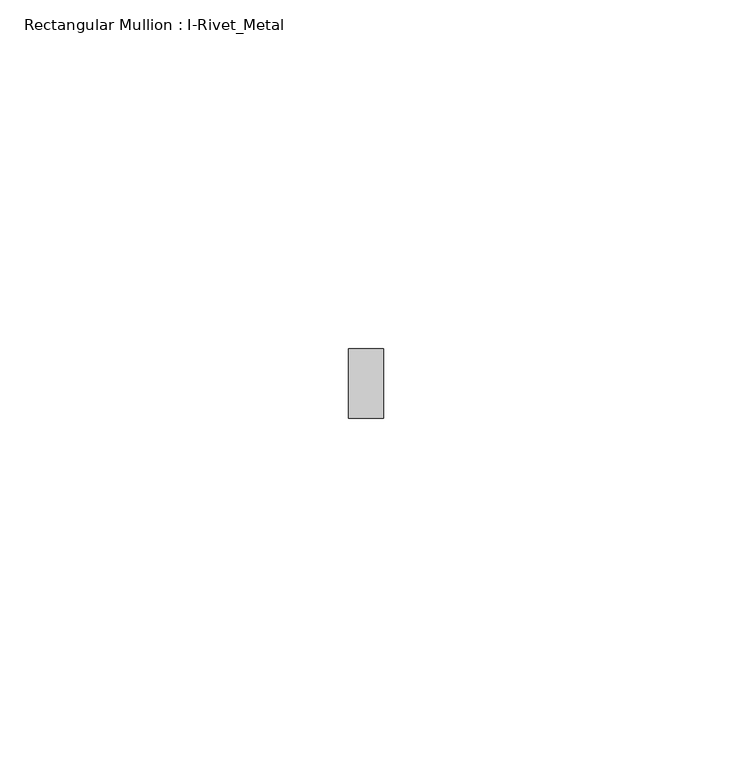
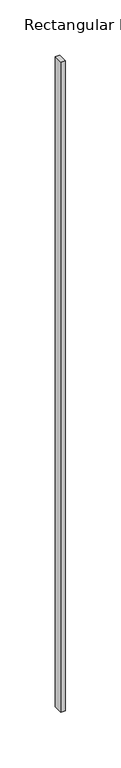
"""IFC4 building model written with IfcOpenShell, lengths in millimetres: member geometry, Rectangular Mullion : I-Rivet_Metal."""

from ifc_helpers import new_model, si_unit, frame, origin, place, context, project, spatial, polyline, outline, extrude, source, transform, mapped, element, save


def rectangular_mullion_i_rivet_metal_599271b9(model_context):
    return source(origin(), model_context, "Body", "SweptSolid", [
        extrude(outline(polyline([(2.5, 70.0), (-2.5, 70.0), (-2.5, 80.0), (2.5, 80.0), (2.5, 70.0)])), frame((0.0, 0.0, -720.0), z_axis=(0.0, 0.0, 1.0), x_axis=(1.0, 0.0, 0.0)), (0.0, 0.0, 1.0), 720.0),
    ])


if __name__ == "__main__":
    model = new_model("IFC4")
    model_context = context("Model", 3, world=origin())
    ifc_project = project(units=[si_unit("LENGTHUNIT", "METRE", prefix="MILLI")], contexts=[model_context])
    site = spatial("IfcSite", under=ifc_project)
    building = spatial("IfcBuilding", under=site)
    placement = place(None, origin())
    rectangular_mullion_i_rivet_metal_shape = rectangular_mullion_i_rivet_metal_599271b9(model_context)
    element("IfcMember", 1, ObjectType="Rectangular Mullion : I-Rivet_Metal", at=placement, inside=building, context=model_context, shape_type="MappedRepresentation", body=[
        mapped(rectangular_mullion_i_rivet_metal_shape, transform((0.0, 0.0, 0.0), x_axis=(1.0, 0.0, 0.0), y_axis=(0.0, 1.0, 0.0), z_axis=(0.0, 0.0, 1.0))),
    ])
    save(model, "model.ifc")
